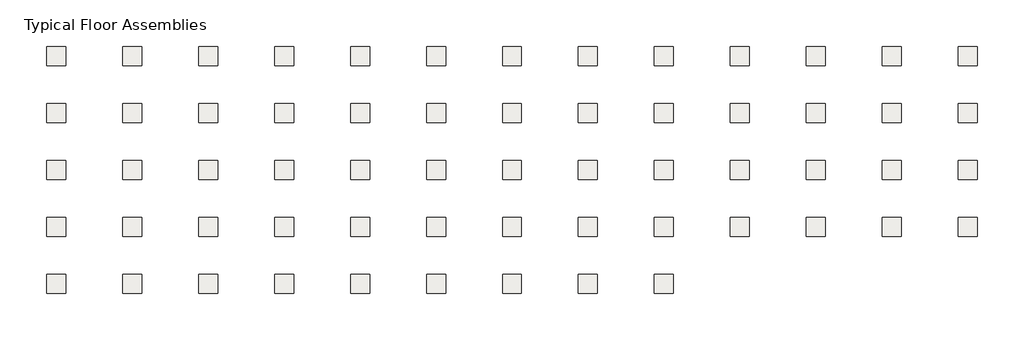
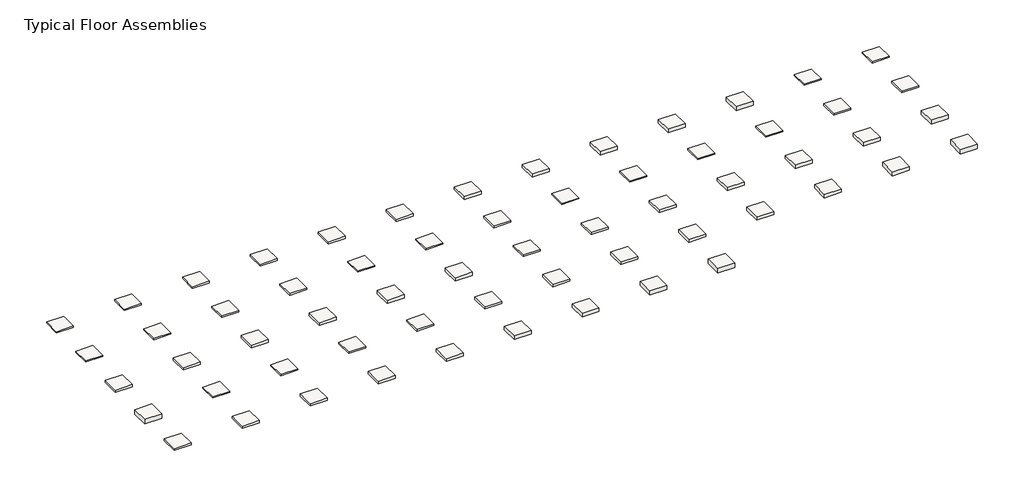
# One storey: 61 slabs.
"""IFC4 building model written with IfcOpenShell, lengths in millimetres."""

from ifc_helpers import new_model, si_unit, frame, origin, place, context, project, spatial, polyline, outline, extrude, element, save

model = new_model("IFC4")

# Units and contexts
model_context = context("Model", 3, world=origin())
ifc_project = project(units=[si_unit("LENGTHUNIT", "METRE", prefix="MILLI")], contexts=[model_context])

# Site, building, storey
site = spatial("IfcSite", under=ifc_project)
building = spatial("IfcBuilding", under=site)
storey = spatial("IfcBuildingStorey", under=building, Name="Typical Floor Assemblies", Elevation=3048.0)

# Slabs
placement = place(None, origin())
element("IfcSlab", 1, at=placement, inside=storey, context=model_context, shape_type="SweptSolid", body=[
    extrude(outline(polyline([(5203.5113742, 5502.1772106), (6727.5113742, 5502.1772106), (6727.5113742, 3978.1772106), (5203.5113742, 3978.1772106), (5203.5113742, 5502.1772106)])), frame((0.0, 0.0, 2936.874997), z_axis=(0.0, 0.0, 1.0), x_axis=(1.0, 0.0, 0.0)), (0.0, 0.0, 1.0), 111.125003),
])
element("IfcSlab", 2, at=placement, inside=storey, context=model_context, shape_type="SweptSolid", body=[
    extrude(outline(polyline([(11299.5113742, 5502.1772106), (12823.5113742, 5502.1772106), (12823.5113742, 3978.1772106), (11299.5113742, 3978.1772106), (11299.5113742, 5502.1772106)])), frame((0.0, 0.0, 2927.349997), z_axis=(0.0, 0.0, 1.0), x_axis=(1.0, 0.0, 0.0)), (0.0, 0.0, 1.0), 120.650003),
])
element("IfcSlab", 3, at=placement, inside=storey, context=model_context, shape_type="SweptSolid", body=[
    extrude(outline(polyline([(17395.5113742, 5502.1772106), (18919.5113742, 5502.1772106), (18919.5113742, 3978.1772106), (17395.5113742, 3978.1772106), (17395.5113742, 5502.1772106)])), frame((0.0, 0.0, 2876.55), z_axis=(0.0, 0.0, 1.0), x_axis=(1.0, 0.0, 0.0)), (0.0, 0.0, 1.0), 171.45),
])
element("IfcSlab", 4, at=placement, inside=storey, context=model_context, shape_type="SweptSolid", body=[
    extrude(outline(polyline([(-19180.4886258, -8213.8227894), (-17656.4886258, -8213.8227894), (-17656.4886258, -9737.8227894), (-19180.4886258, -9737.8227894), (-19180.4886258, -8213.8227894)])), frame((0.0, 0.0, 2876.55), z_axis=(0.0, 0.0, 1.0), x_axis=(1.0, 0.0, 0.0)), (0.0, 0.0, 1.0), 171.45),
])
element("IfcSlab", 5, at=placement, inside=storey, context=model_context, shape_type="SweptSolid", body=[
    extrude(outline(polyline([(-13084.4886258, -8213.8227894), (-11560.4886258, -8213.8227894), (-11560.4886258, -9737.8227894), (-13084.4886258, -9737.8227894), (-13084.4886258, -8213.8227894)])), frame((0.0, 0.0, 2844.7999939), z_axis=(0.0, 0.0, 1.0), x_axis=(1.0, 0.0, 0.0)), (0.0, 0.0, 1.0), 203.2000061),
])
element("IfcSlab", 6, at=placement, inside=storey, context=model_context, shape_type="SweptSolid", body=[
    extrude(outline(polyline([(-6988.4886258, -8213.8227894), (-5464.4886258, -8213.8227894), (-5464.4886258, -9737.8227894), (-6988.4886258, -9737.8227894), (-6988.4886258, -8213.8227894)])), frame((0.0, 0.0, 2825.7499939), z_axis=(0.0, 0.0, 1.0), x_axis=(1.0, 0.0, 0.0)), (0.0, 0.0, 1.0), 222.2500061),
])
element("IfcSlab", 7, at=placement, inside=storey, context=model_context, shape_type="SweptSolid", body=[
    extrude(outline(polyline([(-892.4886258, -8213.8227894), (631.5113742, -8213.8227894), (631.5113742, -9737.8227894), (-892.4886258, -9737.8227894), (-892.4886258, -8213.8227894)])), frame((0.0, 0.0, 2794.0000061), z_axis=(0.0, 0.0, 1.0), x_axis=(1.0, 0.0, 0.0)), (0.0, 0.0, 1.0), 253.9999939),
])
element("IfcSlab", 8, at=placement, inside=storey, context=model_context, shape_type="SweptSolid", body=[
    extrude(outline(polyline([(5203.5113742, -8213.8227894), (6727.5113742, -8213.8227894), (6727.5113742, -9737.8227894), (5203.5113742, -9737.8227894), (5203.5113742, -8213.8227894)])), frame((0.0, 0.0, 2774.9500061), z_axis=(0.0, 0.0, 1.0), x_axis=(1.0, 0.0, 0.0)), (0.0, 0.0, 1.0), 273.0499939),
])
element("IfcSlab", 9, at=placement, inside=storey, context=model_context, shape_type="SweptSolid", body=[
    extrude(outline(polyline([(11299.5113742, -8213.8227894), (12823.5113742, -8213.8227894), (12823.5113742, -9737.8227894), (11299.5113742, -9737.8227894), (11299.5113742, -8213.8227894)])), frame((0.0, 0.0, 2736.8500061), z_axis=(0.0, 0.0, 1.0), x_axis=(1.0, 0.0, 0.0)), (0.0, 0.0, 1.0), 311.1499939),
])
element("IfcSlab", 10, at=placement, inside=storey, context=model_context, shape_type="SweptSolid", body=[
    extrude(outline(polyline([(17395.5113742, -8213.8227894), (18919.5113742, -8213.8227894), (18919.5113742, -9737.8227894), (17395.5113742, -9737.8227894), (17395.5113742, -8213.8227894)])), frame((0.0, 0.0, 2724.15), z_axis=(0.0, 0.0, 1.0), x_axis=(1.0, 0.0, 0.0)), (0.0, 0.0, 1.0), 323.85),
])
element("IfcSlab", 11, at=placement, inside=storey, context=model_context, shape_type="SweptSolid", body=[
    extrude(outline(polyline([(23491.5113742, -8213.8227894), (25015.5113742, -8213.8227894), (25015.5113742, -9737.8227894), (23491.5113742, -9737.8227894), (23491.5113742, -8213.8227894)])), frame((0.0, 0.0, 2673.3500121), z_axis=(0.0, 0.0, 1.0), x_axis=(1.0, 0.0, 0.0)), (0.0, 0.0, 1.0), 374.6499879),
])
element("IfcSlab", 12, at=placement, inside=storey, context=model_context, shape_type="SweptSolid", body=[
    extrude(outline(polyline([(29587.5113742, -8213.8227894), (31111.5113742, -8213.8227894), (31111.5113742, -9737.8227894), (29587.5113742, -9737.8227894), (29587.5113742, -8213.8227894)])), frame((0.0, 0.0, 2622.5499879), z_axis=(0.0, 0.0, 1.0), x_axis=(1.0, 0.0, 0.0)), (0.0, 0.0, 1.0), 425.4500121),
])
element("IfcSlab", 13, ObjectType="SuperStud_Load-Bearing-Systems_Stud_SJW_10-in", at=placement, inside=storey, context=model_context, shape_type="SweptSolid", body=[
    extrude(outline(polyline([(23491.5113742, 10074.1772106), (25015.5113742, 10074.1772106), (25015.5113742, 8550.1772106), (23491.5113742, 8550.1772106), (23491.5113742, 10074.1772106)])), frame((0.0, 0.0, 2774.9500061), z_axis=(0.0, 0.0, 1.0), x_axis=(1.0, 0.0, 0.0)), (0.0, 0.0, 1.0), 273.0499939),
])
element("IfcSlab", 14, ObjectType="SuperStud_Load-Bearing-Systems_Stud_SJW_11-1/2-in", at=placement, inside=storey, context=model_context, shape_type="SweptSolid", body=[
    extrude(outline(polyline([(29587.5113742, 10074.1772106), (31111.5113742, 10074.1772106), (31111.5113742, 8550.1772106), (29587.5113742, 8550.1772106), (29587.5113742, 10074.1772106)])), frame((0.0, 0.0, 2736.8500061), z_axis=(0.0, 0.0, 1.0), x_axis=(1.0, 0.0, 0.0)), (0.0, 0.0, 1.0), 311.1499939),
])
element("IfcSlab", 15, ObjectType="SuperStud_Load-Bearing-Systems_Stud_SJW_12-in", at=placement, inside=storey, context=model_context, shape_type="SweptSolid", body=[
    extrude(outline(polyline([(35683.5113742, 10074.1772106), (37207.5113742, 10074.1772106), (37207.5113742, 8550.1772106), (35683.5113742, 8550.1772106), (35683.5113742, 10074.1772106)])), frame((0.0, 0.0, 2724.15), z_axis=(0.0, 0.0, 1.0), x_axis=(1.0, 0.0, 0.0)), (0.0, 0.0, 1.0), 323.85),
])
element("IfcSlab", 16, ObjectType="SuperStud_Load-Bearing-Systems_Stud_SJW_14-in", at=placement, inside=storey, context=model_context, shape_type="SweptSolid", body=[
    extrude(outline(polyline([(41779.5113742, 10074.1772106), (43303.5113742, 10074.1772106), (43303.5113742, 8550.1772106), (41779.5113742, 8550.1772106), (41779.5113742, 10074.1772106)])), frame((0.0, 0.0, 2673.3500121), z_axis=(0.0, 0.0, 1.0), x_axis=(1.0, 0.0, 0.0)), (0.0, 0.0, 1.0), 374.6499879),
])
element("IfcSlab", 17, ObjectType="SuperStud_Load-Bearing-Systems_Stud_SJW_3-5/8-in", at=placement, inside=storey, context=model_context, shape_type="SweptSolid", body=[
    extrude(outline(polyline([(-19180.4886258, 10074.1772106), (-17656.4886258, 10074.1772106), (-17656.4886258, 8550.1772106), (-19180.4886258, 8550.1772106), (-19180.4886258, 10074.1772106)])), frame((0.0, 0.0, 2936.874997), z_axis=(0.0, 0.0, 1.0), x_axis=(1.0, 0.0, 0.0)), (0.0, 0.0, 1.0), 111.125003),
])
element("IfcSlab", 18, ObjectType="SuperStud_Load-Bearing-Systems_Stud_SJW_4-in", at=placement, inside=storey, context=model_context, shape_type="SweptSolid", body=[
    extrude(outline(polyline([(-13084.4886258, 10074.1772106), (-11560.4886258, 10074.1772106), (-11560.4886258, 8550.1772106), (-13084.4886258, 8550.1772106), (-13084.4886258, 10074.1772106)])), frame((0.0, 0.0, 2927.349997), z_axis=(0.0, 0.0, 1.0), x_axis=(1.0, 0.0, 0.0)), (0.0, 0.0, 1.0), 120.650003),
])
element("IfcSlab", 19, ObjectType="SuperStud_Load-Bearing-Systems_Stud_SJW_5-1/2-in", at=placement, inside=storey, context=model_context, shape_type="SweptSolid", body=[
    extrude(outline(polyline([(-6988.4886258, 10074.1772106), (-5464.4886258, 10074.1772106), (-5464.4886258, 8550.1772106), (-6988.4886258, 8550.1772106), (-6988.4886258, 10074.1772106)])), frame((0.0, 0.0, 2889.249997), z_axis=(0.0, 0.0, 1.0), x_axis=(1.0, 0.0, 0.0)), (0.0, 0.0, 1.0), 158.750003),
])
element("IfcSlab", 20, ObjectType="SuperStud_Load-Bearing-Systems_Stud_SJW_6-in", at=placement, inside=storey, context=model_context, shape_type="SweptSolid", body=[
    extrude(outline(polyline([(-892.4886258, 10074.1772106), (631.5113742, 10074.1772106), (631.5113742, 8550.1772106), (-892.4886258, 8550.1772106), (-892.4886258, 10074.1772106)])), frame((0.0, 0.0, 2876.55), z_axis=(0.0, 0.0, 1.0), x_axis=(1.0, 0.0, 0.0)), (0.0, 0.0, 1.0), 171.45),
])
element("IfcSlab", 21, ObjectType="SuperStud_Load-Bearing-Systems_Stud_SJW_7-1/4-in", at=placement, inside=storey, context=model_context, shape_type="SweptSolid", body=[
    extrude(outline(polyline([(5203.5113742, 10074.1772106), (6727.5113742, 10074.1772106), (6727.5113742, 8550.1772106), (5203.5113742, 8550.1772106), (5203.5113742, 10074.1772106)])), frame((0.0, 0.0, 2844.7999939), z_axis=(0.0, 0.0, 1.0), x_axis=(1.0, 0.0, 0.0)), (0.0, 0.0, 1.0), 203.2000061),
])
element("IfcSlab", 22, ObjectType="SuperStud_Load-Bearing-Systems_Stud_SJW_8-in", at=placement, inside=storey, context=model_context, shape_type="SweptSolid", body=[
    extrude(outline(polyline([(11299.5113742, 10074.1772106), (12823.5113742, 10074.1772106), (12823.5113742, 8550.1772106), (11299.5113742, 8550.1772106), (11299.5113742, 10074.1772106)])), frame((0.0, 0.0, 2825.7499939), z_axis=(0.0, 0.0, 1.0), x_axis=(1.0, 0.0, 0.0)), (0.0, 0.0, 1.0), 222.2500061),
])
element("IfcSlab", 23, ObjectType="SuperStud_Load-Bearing-Systems_Stud_SJW_9-1/4-in", at=placement, inside=storey, context=model_context, shape_type="SweptSolid", body=[
    extrude(outline(polyline([(17395.5113742, 10074.1772106), (18919.5113742, 10074.1772106), (18919.5113742, 8550.1772106), (17395.5113742, 8550.1772106), (17395.5113742, 10074.1772106)])), frame((0.0, 0.0, 2794.0000061), z_axis=(0.0, 0.0, 1.0), x_axis=(1.0, 0.0, 0.0)), (0.0, 0.0, 1.0), 253.9999939),
])
element("IfcSlab", 24, ObjectType="SuperStud_Load-Bearing-Systems_Stud_SSC_2-1/2-in", at=placement, inside=storey, context=model_context, shape_type="SweptSolid", body=[
    extrude(outline(polyline([(47875.5113742, 10074.1772106), (49399.5113742, 10074.1772106), (49399.5113742, 8550.1772106), (47875.5113742, 8550.1772106), (47875.5113742, 10074.1772106)])), frame((0.0, 0.0, 2965.4500015), z_axis=(0.0, 0.0, 1.0), x_axis=(1.0, 0.0, 0.0)), (0.0, 0.0, 1.0), 82.5499985),
])
element("IfcSlab", 25, ObjectType="SuperStud_Load-Bearing-Systems_Stud_SSC_3-1/2-in", at=placement, inside=storey, context=model_context, shape_type="SweptSolid", body=[
    extrude(outline(polyline([(53971.5113742, 10074.1772106), (55495.5113742, 10074.1772106), (55495.5113742, 8550.1772106), (53971.5113742, 8550.1772106), (53971.5113742, 10074.1772106)])), frame((0.0, 0.0, 2940.050003), z_axis=(0.0, 0.0, 1.0), x_axis=(1.0, 0.0, 0.0)), (0.0, 0.0, 1.0), 107.949997),
])
element("IfcSlab", 26, ObjectType="SuperStud_Load-Bearing-Systems_Stud_SSC_3-5/8-in", at=placement, inside=storey, context=model_context, shape_type="SweptSolid", body=[
    extrude(outline(polyline([(-19180.4886258, 5502.1772106), (-17656.4886258, 5502.1772106), (-17656.4886258, 3978.1772106), (-19180.4886258, 3978.1772106), (-19180.4886258, 5502.1772106)])), frame((0.0, 0.0, 2936.874997), z_axis=(0.0, 0.0, 1.0), x_axis=(1.0, 0.0, 0.0)), (0.0, 0.0, 1.0), 111.125003),
])
element("IfcSlab", 27, ObjectType="SuperStud_Load-Bearing-Systems_Stud_SSC_4-in", at=placement, inside=storey, context=model_context, shape_type="SweptSolid", body=[
    extrude(outline(polyline([(-13084.4886258, 5502.1772106), (-11560.4886258, 5502.1772106), (-11560.4886258, 3978.1772106), (-13084.4886258, 3978.1772106), (-13084.4886258, 5502.1772106)])), frame((0.0, 0.0, 2927.349997), z_axis=(0.0, 0.0, 1.0), x_axis=(1.0, 0.0, 0.0)), (0.0, 0.0, 1.0), 120.650003),
])
element("IfcSlab", 28, ObjectType="SuperStud_Load-Bearing-Systems_Stud_SSC_5-1/2-in", at=placement, inside=storey, context=model_context, shape_type="SweptSolid", body=[
    extrude(outline(polyline([(-6988.4886258, 5502.1772106), (-5464.4886258, 5502.1772106), (-5464.4886258, 3978.1772106), (-6988.4886258, 3978.1772106), (-6988.4886258, 5502.1772106)])), frame((0.0, 0.0, 2889.249997), z_axis=(0.0, 0.0, 1.0), x_axis=(1.0, 0.0, 0.0)), (0.0, 0.0, 1.0), 158.750003),
])
element("IfcSlab", 29, ObjectType="SuperStud_Load-Bearing-Systems_Stud_SSC_6-in", at=placement, inside=storey, context=model_context, shape_type="SweptSolid", body=[
    extrude(outline(polyline([(-892.4886258, 5502.1772106), (631.5113742, 5502.1772106), (631.5113742, 3978.1772106), (-892.4886258, 3978.1772106), (-892.4886258, 5502.1772106)])), frame((0.0, 0.0, 2876.55), z_axis=(0.0, 0.0, 1.0), x_axis=(1.0, 0.0, 0.0)), (0.0, 0.0, 1.0), 171.45),
])
element("IfcSlab", 30, ObjectType="SuperStud_Load-Bearing-Systems_Stud_SSJ_10-in", at=placement, inside=storey, context=model_context, shape_type="SweptSolid", body=[
    extrude(outline(polyline([(-892.4886258, 930.1772106), (631.5113742, 930.1772106), (631.5113742, -593.8227894), (-892.4886258, -593.8227894), (-892.4886258, 930.1772106)])), frame((0.0, 0.0, 2774.9500061), z_axis=(0.0, 0.0, 1.0), x_axis=(1.0, 0.0, 0.0)), (0.0, 0.0, 1.0), 273.0499939),
])
element("IfcSlab", 31, ObjectType="SuperStud_Load-Bearing-Systems_Stud_SSJ_11-1/2-in", at=placement, inside=storey, context=model_context, shape_type="SweptSolid", body=[
    extrude(outline(polyline([(5203.5113742, 930.1772106), (6727.5113742, 930.1772106), (6727.5113742, -593.8227894), (5203.5113742, -593.8227894), (5203.5113742, 930.1772106)])), frame((0.0, 0.0, 2736.8500061), z_axis=(0.0, 0.0, 1.0), x_axis=(1.0, 0.0, 0.0)), (0.0, 0.0, 1.0), 311.1499939),
])
element("IfcSlab", 32, ObjectType="SuperStud_Load-Bearing-Systems_Stud_SSJ_12-in", at=placement, inside=storey, context=model_context, shape_type="SweptSolid", body=[
    extrude(outline(polyline([(11299.5113742, 930.1772106), (12823.5113742, 930.1772106), (12823.5113742, -593.8227894), (11299.5113742, -593.8227894), (11299.5113742, 930.1772106)])), frame((0.0, 0.0, 2724.15), z_axis=(0.0, 0.0, 1.0), x_axis=(1.0, 0.0, 0.0)), (0.0, 0.0, 1.0), 323.85),
])
element("IfcSlab", 33, ObjectType="SuperStud_Load-Bearing-Systems_Stud_SSJ_2-1/2-in", at=placement, inside=storey, context=model_context, shape_type="SweptSolid", body=[
    extrude(outline(polyline([(23491.5113742, 5502.1772106), (25015.5113742, 5502.1772106), (25015.5113742, 3978.1772106), (23491.5113742, 3978.1772106), (23491.5113742, 5502.1772106)])), frame((0.0, 0.0, 2965.4500015), z_axis=(0.0, 0.0, 1.0), x_axis=(1.0, 0.0, 0.0)), (0.0, 0.0, 1.0), 82.5499985),
])
element("IfcSlab", 34, ObjectType="SuperStud_Load-Bearing-Systems_Stud_SSJ_3-1/2-in", at=placement, inside=storey, context=model_context, shape_type="SweptSolid", body=[
    extrude(outline(polyline([(29587.5113742, 5502.1772106), (31111.5113742, 5502.1772106), (31111.5113742, 3978.1772106), (29587.5113742, 3978.1772106), (29587.5113742, 5502.1772106)])), frame((0.0, 0.0, 2940.050003), z_axis=(0.0, 0.0, 1.0), x_axis=(1.0, 0.0, 0.0)), (0.0, 0.0, 1.0), 107.949997),
])
element("IfcSlab", 35, ObjectType="SuperStud_Load-Bearing-Systems_Stud_SSJ_3-5/8-in", at=placement, inside=storey, context=model_context, shape_type="SweptSolid", body=[
    extrude(outline(polyline([(35683.5113742, 5502.1772106), (37207.5113742, 5502.1772106), (37207.5113742, 3978.1772106), (35683.5113742, 3978.1772106), (35683.5113742, 5502.1772106)])), frame((0.0, 0.0, 2936.874997), z_axis=(0.0, 0.0, 1.0), x_axis=(1.0, 0.0, 0.0)), (0.0, 0.0, 1.0), 111.125003),
])
element("IfcSlab", 36, ObjectType="SuperStud_Load-Bearing-Systems_Stud_SSJ_4-in", at=placement, inside=storey, context=model_context, shape_type="SweptSolid", body=[
    extrude(outline(polyline([(41779.5113742, 5502.1772106), (43303.5113742, 5502.1772106), (43303.5113742, 3978.1772106), (41779.5113742, 3978.1772106), (41779.5113742, 5502.1772106)])), frame((0.0, 0.0, 2927.349997), z_axis=(0.0, 0.0, 1.0), x_axis=(1.0, 0.0, 0.0)), (0.0, 0.0, 1.0), 120.650003),
])
element("IfcSlab", 37, ObjectType="SuperStud_Load-Bearing-Systems_Stud_SSJ_5-1/2-in", at=placement, inside=storey, context=model_context, shape_type="SweptSolid", body=[
    extrude(outline(polyline([(47875.5113742, 5502.1772106), (49399.5113742, 5502.1772106), (49399.5113742, 3978.1772106), (47875.5113742, 3978.1772106), (47875.5113742, 5502.1772106)])), frame((0.0, 0.0, 2889.249997), z_axis=(0.0, 0.0, 1.0), x_axis=(1.0, 0.0, 0.0)), (0.0, 0.0, 1.0), 158.750003),
])
element("IfcSlab", 38, ObjectType="SuperStud_Load-Bearing-Systems_Stud_SSJ_6-in", at=placement, inside=storey, context=model_context, shape_type="SweptSolid", body=[
    extrude(outline(polyline([(53971.5113742, 5502.1772106), (55495.5113742, 5502.1772106), (55495.5113742, 3978.1772106), (53971.5113742, 3978.1772106), (53971.5113742, 5502.1772106)])), frame((0.0, 0.0, 2876.55), z_axis=(0.0, 0.0, 1.0), x_axis=(1.0, 0.0, 0.0)), (0.0, 0.0, 1.0), 171.45),
])
element("IfcSlab", 39, ObjectType="SuperStud_Load-Bearing-Systems_Stud_SSJ_7-1/4-in", at=placement, inside=storey, context=model_context, shape_type="SweptSolid", body=[
    extrude(outline(polyline([(-19180.4886258, 930.1772106), (-17656.4886258, 930.1772106), (-17656.4886258, -593.8227894), (-19180.4886258, -593.8227894), (-19180.4886258, 930.1772106)])), frame((0.0, 0.0, 2844.7999939), z_axis=(0.0, 0.0, 1.0), x_axis=(1.0, 0.0, 0.0)), (0.0, 0.0, 1.0), 203.2000061),
])
element("IfcSlab", 40, ObjectType="SuperStud_Load-Bearing-Systems_Stud_SSJ_8-in", at=placement, inside=storey, context=model_context, shape_type="SweptSolid", body=[
    extrude(outline(polyline([(-13084.4886258, 930.1772106), (-11560.4886258, 930.1772106), (-11560.4886258, -593.8227894), (-13084.4886258, -593.8227894), (-13084.4886258, 930.1772106)])), frame((0.0, 0.0, 2825.7499939), z_axis=(0.0, 0.0, 1.0), x_axis=(1.0, 0.0, 0.0)), (0.0, 0.0, 1.0), 222.2500061),
])
element("IfcSlab", 41, ObjectType="SuperStud_Load-Bearing-Systems_Stud_SSJ_9-1/4-in", at=placement, inside=storey, context=model_context, shape_type="SweptSolid", body=[
    extrude(outline(polyline([(-6988.4886258, 930.1772106), (-5464.4886258, 930.1772106), (-5464.4886258, -593.8227894), (-6988.4886258, -593.8227894), (-6988.4886258, 930.1772106)])), frame((0.0, 0.0, 2794.0000061), z_axis=(0.0, 0.0, 1.0), x_axis=(1.0, 0.0, 0.0)), (0.0, 0.0, 1.0), 253.9999939),
])
element("IfcSlab", 42, ObjectType="SuperStud_Load-Bearing-Systems_Stud_SSW_10-in", at=placement, inside=storey, context=model_context, shape_type="SweptSolid", body=[
    extrude(outline(polyline([(35683.5113742, 930.1772106), (37207.5113742, 930.1772106), (37207.5113742, -593.8227894), (35683.5113742, -593.8227894), (35683.5113742, 930.1772106)])), frame((0.0, 0.0, 2774.9500061), z_axis=(0.0, 0.0, 1.0), x_axis=(1.0, 0.0, 0.0)), (0.0, 0.0, 1.0), 273.0499939),
])
element("IfcSlab", 43, ObjectType="SuperStud_Load-Bearing-Systems_Stud_SSW_11-1/2-in", at=placement, inside=storey, context=model_context, shape_type="SweptSolid", body=[
    extrude(outline(polyline([(41779.5113742, 930.1772106), (43303.5113742, 930.1772106), (43303.5113742, -593.8227894), (41779.5113742, -593.8227894), (41779.5113742, 930.1772106)])), frame((0.0, 0.0, 2736.8500061), z_axis=(0.0, 0.0, 1.0), x_axis=(1.0, 0.0, 0.0)), (0.0, 0.0, 1.0), 311.1499939),
])
element("IfcSlab", 44, ObjectType="SuperStud_Load-Bearing-Systems_Stud_SSW_12-in", at=placement, inside=storey, context=model_context, shape_type="SweptSolid", body=[
    extrude(outline(polyline([(47875.5113742, 930.1772106), (49399.5113742, 930.1772106), (49399.5113742, -593.8227894), (47875.5113742, -593.8227894), (47875.5113742, 930.1772106)])), frame((0.0, 0.0, 2724.15), z_axis=(0.0, 0.0, 1.0), x_axis=(1.0, 0.0, 0.0)), (0.0, 0.0, 1.0), 323.85),
])
element("IfcSlab", 45, ObjectType="SuperStud_Load-Bearing-Systems_Stud_SSW_14-in", at=placement, inside=storey, context=model_context, shape_type="SweptSolid", body=[
    extrude(outline(polyline([(53971.5113742, 930.1772106), (55495.5113742, 930.1772106), (55495.5113742, -593.8227894), (53971.5113742, -593.8227894), (53971.5113742, 930.1772106)])), frame((0.0, 0.0, 2673.3500121), z_axis=(0.0, 0.0, 1.0), x_axis=(1.0, 0.0, 0.0)), (0.0, 0.0, 1.0), 374.6499879),
])
element("IfcSlab", 46, ObjectType="SuperStud_Load-Bearing-Systems_Stud_SSW_16-in", at=placement, inside=storey, context=model_context, shape_type="SweptSolid", body=[
    extrude(outline(polyline([(-19180.4886258, -3641.8227894), (-17656.4886258, -3641.8227894), (-17656.4886258, -5165.8227894), (-19180.4886258, -5165.8227894), (-19180.4886258, -3641.8227894)])), frame((0.0, 0.0, 2622.5499879), z_axis=(0.0, 0.0, 1.0), x_axis=(1.0, 0.0, 0.0)), (0.0, 0.0, 1.0), 425.4500121),
])
element("IfcSlab", 47, ObjectType="SuperStud_Load-Bearing-Systems_Stud_SSW_4-in", at=placement, inside=storey, context=model_context, shape_type="SweptSolid", body=[
    extrude(outline(polyline([(17395.5113742, 930.1772106), (18919.5113742, 930.1772106), (18919.5113742, -593.8227894), (17395.5113742, -593.8227894), (17395.5113742, 930.1772106)])), frame((0.0, 0.0, 2927.349997), z_axis=(0.0, 0.0, 1.0), x_axis=(1.0, 0.0, 0.0)), (0.0, 0.0, 1.0), 120.650003),
])
element("IfcSlab", 48, ObjectType="SuperStud_Load-Bearing-Systems_Stud_SSW_6-in", at=placement, inside=storey, context=model_context, shape_type="SweptSolid", body=[
    extrude(outline(polyline([(23491.5113742, 930.1772106), (25015.5113742, 930.1772106), (25015.5113742, -593.8227894), (23491.5113742, -593.8227894), (23491.5113742, 930.1772106)])), frame((0.0, 0.0, 2876.55), z_axis=(0.0, 0.0, 1.0), x_axis=(1.0, 0.0, 0.0)), (0.0, 0.0, 1.0), 171.45),
])
element("IfcSlab", 49, ObjectType="SuperStud_Load-Bearing-Systems_Stud_SSW_8-in", at=placement, inside=storey, context=model_context, shape_type="SweptSolid", body=[
    extrude(outline(polyline([(29587.5113742, 930.1772106), (31111.5113742, 930.1772106), (31111.5113742, -593.8227894), (29587.5113742, -593.8227894), (29587.5113742, 930.1772106)])), frame((0.0, 0.0, 2825.7499939), z_axis=(0.0, 0.0, 1.0), x_axis=(1.0, 0.0, 0.0)), (0.0, 0.0, 1.0), 222.2500061),
])
element("IfcSlab", 50, ObjectType="SuperStud_Load-Bearing-Systems_Stud_SSX_10-in", at=placement, inside=storey, context=model_context, shape_type="SweptSolid", body=[
    extrude(outline(polyline([(29587.5113742, -3641.8227894), (31111.5113742, -3641.8227894), (31111.5113742, -5165.8227894), (29587.5113742, -5165.8227894), (29587.5113742, -3641.8227894)])), frame((0.0, 0.0, 2774.9500061), z_axis=(0.0, 0.0, 1.0), x_axis=(1.0, 0.0, 0.0)), (0.0, 0.0, 1.0), 273.0499939),
])
element("IfcSlab", 51, ObjectType="SuperStud_Load-Bearing-Systems_Stud_SSX_11-1/2-in", at=placement, inside=storey, context=model_context, shape_type="SweptSolid", body=[
    extrude(outline(polyline([(35683.5113742, -3641.8227894), (37207.5113742, -3641.8227894), (37207.5113742, -5165.8227894), (35683.5113742, -5165.8227894), (35683.5113742, -3641.8227894)])), frame((0.0, 0.0, 2736.8500061), z_axis=(0.0, 0.0, 1.0), x_axis=(1.0, 0.0, 0.0)), (0.0, 0.0, 1.0), 311.1499939),
])
element("IfcSlab", 52, ObjectType="SuperStud_Load-Bearing-Systems_Stud_SSX_12-in", at=placement, inside=storey, context=model_context, shape_type="SweptSolid", body=[
    extrude(outline(polyline([(41779.5113742, -3641.8227894), (43303.5113742, -3641.8227894), (43303.5113742, -5165.8227894), (41779.5113742, -5165.8227894), (41779.5113742, -3641.8227894)])), frame((0.0, 0.0, 2724.15), z_axis=(0.0, 0.0, 1.0), x_axis=(1.0, 0.0, 0.0)), (0.0, 0.0, 1.0), 323.85),
])
element("IfcSlab", 53, ObjectType="SuperStud_Load-Bearing-Systems_Stud_SSX_14-in", at=placement, inside=storey, context=model_context, shape_type="SweptSolid", body=[
    extrude(outline(polyline([(47875.5113742, -3641.8227894), (49399.5113742, -3641.8227894), (49399.5113742, -5165.8227894), (47875.5113742, -5165.8227894), (47875.5113742, -3641.8227894)])), frame((0.0, 0.0, 2673.3500121), z_axis=(0.0, 0.0, 1.0), x_axis=(1.0, 0.0, 0.0)), (0.0, 0.0, 1.0), 374.6499879),
])
element("IfcSlab", 54, ObjectType="SuperStud_Load-Bearing-Systems_Stud_SSX_16-in", at=placement, inside=storey, context=model_context, shape_type="SweptSolid", body=[
    extrude(outline(polyline([(53971.5113742, -3641.8227894), (55495.5113742, -3641.8227894), (55495.5113742, -5165.8227894), (53971.5113742, -5165.8227894), (53971.5113742, -3641.8227894)])), frame((0.0, 0.0, 2622.5499879), z_axis=(0.0, 0.0, 1.0), x_axis=(1.0, 0.0, 0.0)), (0.0, 0.0, 1.0), 425.4500121),
])
element("IfcSlab", 55, ObjectType="SuperStud_Load-Bearing-Systems_Stud_SSX_3-5/8-in", at=placement, inside=storey, context=model_context, shape_type="SweptSolid", body=[
    extrude(outline(polyline([(-13084.4886258, -3641.8227894), (-11560.4886258, -3641.8227894), (-11560.4886258, -5165.8227894), (-13084.4886258, -5165.8227894), (-13084.4886258, -3641.8227894)])), frame((0.0, 0.0, 2936.874997), z_axis=(0.0, 0.0, 1.0), x_axis=(1.0, 0.0, 0.0)), (0.0, 0.0, 1.0), 111.125003),
])
element("IfcSlab", 56, ObjectType="SuperStud_Load-Bearing-Systems_Stud_SSX_4-in", at=placement, inside=storey, context=model_context, shape_type="SweptSolid", body=[
    extrude(outline(polyline([(-6988.4886258, -3641.8227894), (-5464.4886258, -3641.8227894), (-5464.4886258, -5165.8227894), (-6988.4886258, -5165.8227894), (-6988.4886258, -3641.8227894)])), frame((0.0, 0.0, 2927.349997), z_axis=(0.0, 0.0, 1.0), x_axis=(1.0, 0.0, 0.0)), (0.0, 0.0, 1.0), 120.650003),
])
element("IfcSlab", 57, ObjectType="SuperStud_Load-Bearing-Systems_Stud_SSX_5-1/2-in", at=placement, inside=storey, context=model_context, shape_type="SweptSolid", body=[
    extrude(outline(polyline([(-892.4886258, -3641.8227894), (631.5113742, -3641.8227894), (631.5113742, -5165.8227894), (-892.4886258, -5165.8227894), (-892.4886258, -3641.8227894)])), frame((0.0, 0.0, 2889.249997), z_axis=(0.0, 0.0, 1.0), x_axis=(1.0, 0.0, 0.0)), (0.0, 0.0, 1.0), 158.750003),
])
element("IfcSlab", 58, ObjectType="SuperStud_Load-Bearing-Systems_Stud_SSX_6-in", at=placement, inside=storey, context=model_context, shape_type="SweptSolid", body=[
    extrude(outline(polyline([(5203.5113742, -3641.8227894), (6727.5113742, -3641.8227894), (6727.5113742, -5165.8227894), (5203.5113742, -5165.8227894), (5203.5113742, -3641.8227894)])), frame((0.0, 0.0, 2876.55), z_axis=(0.0, 0.0, 1.0), x_axis=(1.0, 0.0, 0.0)), (0.0, 0.0, 1.0), 171.45),
])
element("IfcSlab", 59, ObjectType="SuperStud_Load-Bearing-Systems_Stud_SSX_7-1/4-in", at=placement, inside=storey, context=model_context, shape_type="SweptSolid", body=[
    extrude(outline(polyline([(11299.5113742, -3641.8227894), (12823.5113742, -3641.8227894), (12823.5113742, -5165.8227894), (11299.5113742, -5165.8227894), (11299.5113742, -3641.8227894)])), frame((0.0, 0.0, 2844.7999939), z_axis=(0.0, 0.0, 1.0), x_axis=(1.0, 0.0, 0.0)), (0.0, 0.0, 1.0), 203.2000061),
])
element("IfcSlab", 60, ObjectType="SuperStud_Load-Bearing-Systems_Stud_SSX_8-in", at=placement, inside=storey, context=model_context, shape_type="SweptSolid", body=[
    extrude(outline(polyline([(17395.5113742, -3641.8227894), (18919.5113742, -3641.8227894), (18919.5113742, -5165.8227894), (17395.5113742, -5165.8227894), (17395.5113742, -3641.8227894)])), frame((0.0, 0.0, 2825.7499939), z_axis=(0.0, 0.0, 1.0), x_axis=(1.0, 0.0, 0.0)), (0.0, 0.0, 1.0), 222.2500061),
])
element("IfcSlab", 61, ObjectType="SuperStud_Load-Bearing-Systems_Stud_SSX_9-1/4-in", at=placement, inside=storey, context=model_context, shape_type="SweptSolid", body=[
    extrude(outline(polyline([(23491.5113742, -3641.8227894), (25015.5113742, -3641.8227894), (25015.5113742, -5165.8227894), (23491.5113742, -5165.8227894), (23491.5113742, -3641.8227894)])), frame((0.0, 0.0, 2794.0000061), z_axis=(0.0, 0.0, 1.0), x_axis=(1.0, 0.0, 0.0)), (0.0, 0.0, 1.0), 253.9999939),
])

save(model, "model.ifc")
